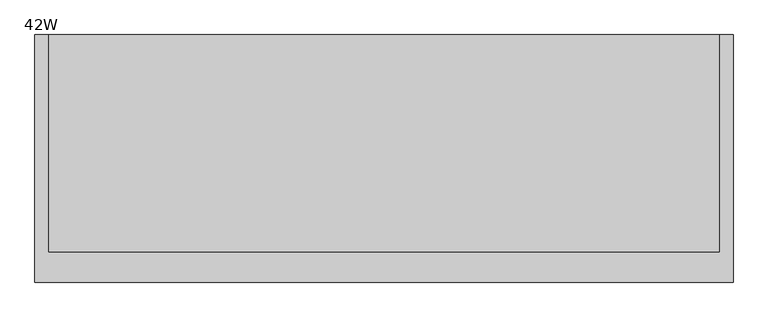
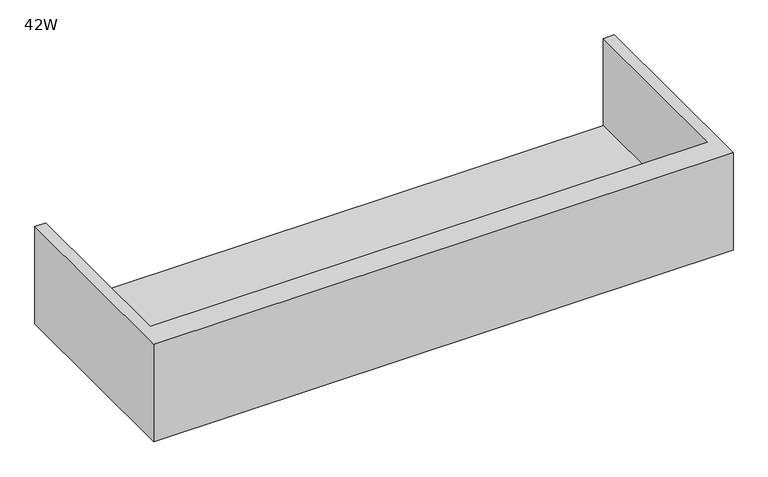
"""IFC4 building model written with IfcOpenShell, lengths in millimetres: furniture geometry, 42W."""

from ifc_helpers import new_model, si_unit, origin, place, context, project, spatial, faceted_brep, source, transform, mapped, element, save


def furniture_42w_019d4c31(model_context):
    return source(origin(), model_context, "Body", "Brep", [
        faceted_brep([(20.1673737, 320.802, 1115.6696643), (20.1673737, -11.5824326, 1115.6696643), (1045.6166263, -11.5824326, 1115.6696643), (1045.6166263, 320.802, 1115.6696643), (0.0, 320.802, 1095.502), (1065.784, 320.802, 1095.502), (1065.784, -57.15, 1095.502), (0.0, -57.15, 1095.502), (1065.784, -57.15, 1284.9860736), (0.0, -57.15, 1284.9860736), (1045.6166263, 320.802, 1284.9860736), (1065.784, 320.802, 1284.9860736), (0.0, 320.802, 1284.9860736), (20.1673737, 320.802, 1284.9860736), (1045.6166263, -11.5824326, 1284.9860736), (20.1673737, -11.5824326, 1284.9860736)], [[[0, 1, 2, 3]], [[4, 5, 6, 7]], [[8, 9, 7, 6]], [[3, 10, 11, 5, 4, 12, 13, 0]], [[8, 11, 10, 14, 15, 13, 12, 9]], [[12, 4, 7, 9]], [[13, 15, 1, 0]], [[8, 6, 5, 11]], [[3, 2, 14, 10]], [[14, 2, 1, 15]]]),
    ])


if __name__ == "__main__":
    model = new_model("IFC4")
    model_context = context("Model", 3, world=origin())
    ifc_project = project(units=[si_unit("LENGTHUNIT", "METRE", prefix="MILLI")], contexts=[model_context])
    site = spatial("IfcSite", under=ifc_project)
    building = spatial("IfcBuilding", under=site)
    placement = place(None, origin())
    furniture_42w_shape = furniture_42w_019d4c31(model_context)
    element("IfcFurniture", 1, ObjectType="42W", at=placement, inside=building, context=model_context, shape_type="MappedRepresentation", body=[
        mapped(furniture_42w_shape, transform((0.0, 0.0, 0.0), x_axis=(1.0, 0.0, 0.0), y_axis=(0.0, 1.0, 0.0), z_axis=(0.0, 0.0, 1.0))),
    ])
    save(model, "model.ifc")
